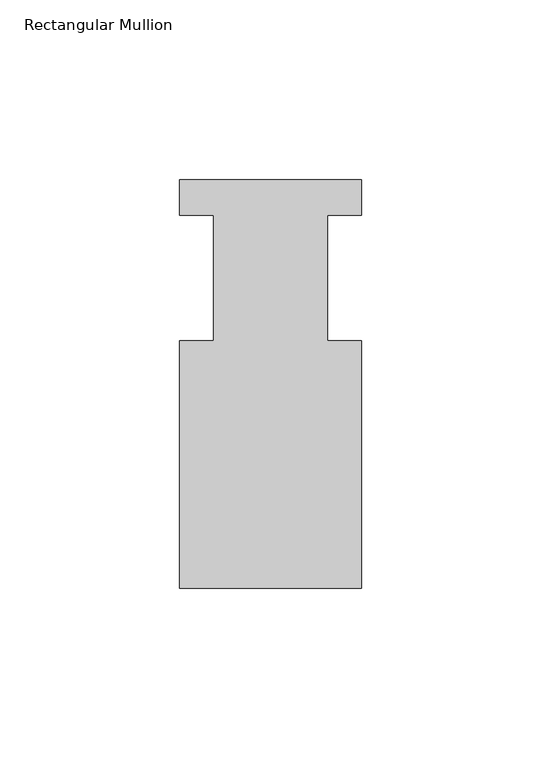
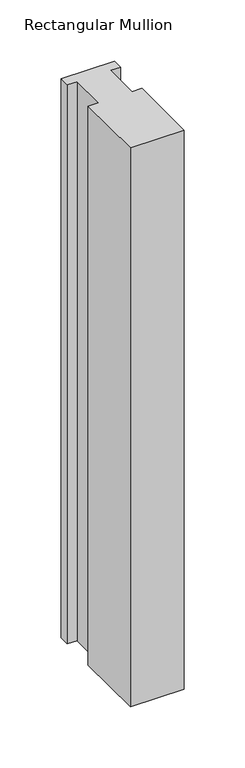
"""IFC4 building model written with IfcOpenShell, lengths in millimetres: member geometry, Rectangular Mullion."""

import ifcopenshell
import ifcopenshell.guid

model = None  # the IFC model being written
_history = None  # IfcOwnerHistory: only IFC2X3 demands one
_inside = {}  # id of a spatial element -> (the spatial element, [elements in it])
_under = {}  # id of a project, library or spatial element -> (it, [spatial elements below it])
_declared = {}  # id of a project -> (the project, [libraries it declares])
_typed = {}  # id of a type object -> (the type object, [elements of that type])
_made_of = {}  # id of a material, layer set ... -> (it, [elements and type objects made of it])


def new_model(schema):
    """Start an empty IFC model of exactly this schema.

    Asked for "IFC4X3", IfcOpenShell would pick the latest addendum, in which some entities
    have other attributes; the version numbers below select the first issue.
    IFC2X3 requires an IfcOwnerHistory on every rooted entity: one is made here for all.
    """
    global model, _history
    if schema == "IFC4X3":
        model = ifcopenshell.file(schema_version=(4, 3, 0, 0))
    else:
        model = ifcopenshell.file(schema=schema)
    _inside.clear()
    _under.clear()
    _declared.clear()
    _typed.clear()
    _made_of.clear()
    _history = None
    if model.schema == "IFC2X3":
        org = make("IfcOrganization", Name="unknown")
        user = make(
            "IfcPersonAndOrganization",
            ThePerson=make("IfcPerson", FamilyName="unknown"),
            TheOrganization=org,
        )
        app = make(
            "IfcApplication",
            ApplicationDeveloper=org,
            Version="unknown",
            ApplicationFullName="unknown",
            ApplicationIdentifier="unknown",
        )
        _history = make(
            "IfcOwnerHistory",
            OwningUser=user,
            OwningApplication=app,
            ChangeAction="ADDED",
            CreationDate=0,
        )
    return model


def make(cls, **values):
    """One entity of the class cls with the attributes given. An attribute that is None is left unset."""
    return model.create_entity(
        cls, **{name: value for name, value in values.items() if value is not None}
    )


def rooted(cls, **values):
    """An entity with a GlobalId (a new one), such as an element, a storey or a relation."""
    return make(cls, GlobalId=ifcopenshell.guid.new(), OwnerHistory=_history, **values)


def si_unit(unit_type, name, prefix=None):
    """IfcSIUnit, for example si_unit("LENGTHUNIT", "METRE", prefix="MILLI")."""
    return make("IfcSIUnit", UnitType=unit_type, Prefix=prefix, Name=name)


def assignment(units):
    """IfcUnitAssignment: the units of a project."""
    return None if units is None else make("IfcUnitAssignment", Units=units)


def point(xyz):
    """IfcCartesianPoint."""
    return None if xyz is None else make("IfcCartesianPoint", Coordinates=xyz)


def direction(xyz):
    """IfcDirection."""
    return None if xyz is None else make("IfcDirection", DirectionRatios=xyz)


def frame(location, z_axis=None, x_axis=None):
    """IfcAxis2Placement3D, a coordinate frame: its origin and axes. An axis left out is left unset."""
    return make(
        "IfcAxis2Placement3D",
        Location=point(location),
        Axis=direction(z_axis),
        RefDirection=direction(x_axis),
    )


def origin():
    """The frame at (0, 0, 0) with its axes left unset."""
    return frame((0.0, 0.0, 0.0))


def place(relative_to, where):
    """IfcLocalPlacement: puts the frame where relative to a parent placement (None: the world)."""
    return make(
        "IfcLocalPlacement", PlacementRelTo=relative_to, RelativePlacement=where
    )


def context(
    kind, dimensions, precision=None, world=None, true_north=None, identifier=None
):
    """IfcGeometricRepresentationContext, for example the 3D "Model" context."""
    return make(
        "IfcGeometricRepresentationContext",
        ContextIdentifier=identifier,
        ContextType=kind,
        CoordinateSpaceDimension=dimensions,
        Precision=precision,
        WorldCoordinateSystem=world,
        TrueNorth=true_north,
    )


def project(units=None, contexts=None):
    """IfcProject with its units and contexts."""
    return rooted(
        "IfcProject",
        Name="project",
        RepresentationContexts=contexts,
        UnitsInContext=assignment(units),
    )


def spatial(cls, under=None, at=None, **own):
    """A site, building, storey or space (cls), placed at a placement, below another one or the project."""
    s = rooted(cls, ObjectPlacement=at, **own)
    if under is not None:
        _under.setdefault(under.id(), (under, []))[1].append(s)
    return s


def polyline(points):
    """IfcPolyline through the points."""
    return make("IfcPolyline", Points=[point(p) for p in points])


def outline(outer, holes=None, kind="AREA"):
    """IfcArbitraryClosedProfileDef: a profile drawn as a closed curve; with holes, ...WithVoids."""
    if holes is None:
        return make("IfcArbitraryClosedProfileDef", ProfileType=kind, OuterCurve=outer)
    return make(
        "IfcArbitraryProfileDefWithVoids",
        ProfileType=kind,
        OuterCurve=outer,
        InnerCurves=holes,
    )


def extrude(swept, where, along, depth):
    """IfcExtrudedAreaSolid: the profile swept, set in the frame where, extruded along a direction by depth."""
    return make(
        "IfcExtrudedAreaSolid",
        SweptArea=swept,
        Position=where,
        ExtrudedDirection=direction(along),
        Depth=depth,
    )


def shape(context_of_items, identifier, shape_type, items):
    """IfcShapeRepresentation: the items that make up one representation, for example the "Body"."""
    return make(
        "IfcShapeRepresentation",
        ContextOfItems=context_of_items,
        RepresentationIdentifier=identifier,
        RepresentationType=shape_type,
        Items=items,
    )


def source(mapping_origin, context_of_items, identifier, shape_type, items):
    """IfcRepresentationMap: a shape defined once, which mapped items show again and again."""
    return make(
        "IfcRepresentationMap",
        MappingOrigin=mapping_origin,
        MappedRepresentation=shape(context_of_items, identifier, shape_type, items),
    )


def transform(
    local_origin,
    x_axis=None,
    y_axis=None,
    z_axis=None,
    scale=None,
    scale2=None,
    scale3=None,
    uniform=True,
):
    """IfcCartesianTransformationOperator3D, or its non-uniform kind. x_axis, y_axis, z_axis: its Axis1, 2, 3."""
    if uniform:
        return make(
            "IfcCartesianTransformationOperator3D",
            Axis1=direction(x_axis),
            Axis2=direction(y_axis),
            LocalOrigin=point(local_origin),
            Scale=scale,
            Axis3=direction(z_axis),
        )
    return make(
        "IfcCartesianTransformationOperator3DnonUniform",
        Axis1=direction(x_axis),
        Axis2=direction(y_axis),
        LocalOrigin=point(local_origin),
        Scale=scale,
        Axis3=direction(z_axis),
        Scale2=scale2,
        Scale3=scale3,
    )


def mapped(mapping_source, mapping_target):
    """IfcMappedItem: shows the shape of a source again, moved by a transform."""
    return make(
        "IfcMappedItem", MappingSource=mapping_source, MappingTarget=mapping_target
    )


def made_of(thing, what):
    """Note that an element or type object is made of a material, layer set ...; save() writes the relation."""
    if what is not None:
        _made_of.setdefault(what.id(), (what, []))[1].append(thing)
    return thing


def element(
    cls,
    number,
    at=None,
    inside=None,
    cuts=None,
    type_object=None,
    material=None,
    context=None,
    identifier="Body",
    shape_type=None,
    held_by="IfcProductDefinitionShape",
    body=None,
    shapes=None,
    **own,
):
    """One element of the class cls, such as IfcWall. Its Tag is "e" and its number.

    at: its placement. inside: the storey or other place that contains it. cuts: it is an
    opening in that element (IfcRelVoidsElement). A single representation is given by context,
    identifier, shape_type and body (its items); several are given by shapes. held_by: the class
    of the entity that holds the representations. save() writes the other relations.
    """
    e = rooted(cls, Tag="e%d" % number, ObjectPlacement=at, **own)
    if body is not None:
        shapes = [shape(context, identifier, shape_type, body)]
    if shapes is not None:
        e.Representation = make(held_by, Representations=shapes)
    if inside is not None:
        _inside.setdefault(inside.id(), (inside, []))[1].append(e)
    if cuts is not None:
        rooted(
            "IfcRelVoidsElement", RelatingBuildingElement=cuts, RelatedOpeningElement=e
        )
    if type_object is not None:
        _typed.setdefault(type_object.id(), (type_object, []))[1].append(e)
    return made_of(e, material)


def aggregate(whole, parts):
    """IfcRelAggregates: a whole, such as a stair, and the parts it consists of."""
    return rooted("IfcRelAggregates", RelatingObject=whole, RelatedObjects=parts)


def save(model, path):
    """Write the relations noted so far, then the file.

    IfcRelAggregates (storeys below a building ...), IfcRelContainedInSpatialStructure (elements
    in a storey), IfcRelDefinesByType, IfcRelAssociatesMaterial and IfcRelDeclares: one each for
    every whole, place, type object, material and project.
    """
    for whole, parts in _under.values():
        aggregate(whole, parts)
    for where, things in _inside.values():
        rooted(
            "IfcRelContainedInSpatialStructure",
            RelatedElements=things,
            RelatingStructure=where,
        )
    for kind, things in _typed.values():
        rooted("IfcRelDefinesByType", RelatedObjects=things, RelatingType=kind)
    for what, things in _made_of.values():
        rooted("IfcRelAssociatesMaterial", RelatedObjects=things, RelatingMaterial=what)
    for by, libraries in _declared.values():
        rooted("IfcRelDeclares", RelatingContext=by, RelatedDefinitions=libraries)
    model.write(path)


def rectangular_mullion_537a5276(model_context):
    return source(origin(), model_context, "Body", "SweptSolid", [
        extrude(outline(polyline([(-50.8, 113.8189875), (0.0, 113.8189875), (0.0, 103.9129875), (-9.525, 103.9129875), (-9.525, 68.9879875), (0.0, 68.9879875), (0.0, 0.0269875), (-50.8, 0.0269875), (-50.8, 68.9879875), (-41.275, 68.9879875), (-41.275, 103.9129875), (-50.8, 103.9129875), (-50.8, 113.8189875)])), frame((0.0, 0.0, -558.8), z_axis=(0.0, 0.0, 1.0), x_axis=(1.0, 0.0, 0.0)), (0.0, 0.0, 1.0), 558.8),
    ])


if __name__ == "__main__":
    model = new_model("IFC4")
    model_context = context("Model", 3, world=origin())
    ifc_project = project(units=[si_unit("LENGTHUNIT", "METRE", prefix="MILLI")], contexts=[model_context])
    site = spatial("IfcSite", under=ifc_project)
    building = spatial("IfcBuilding", under=site)
    placement = place(None, origin())
    rectangular_mullion_shape = rectangular_mullion_537a5276(model_context)
    element("IfcMember", 1, ObjectType="Rectangular Mullion", at=placement, inside=building, context=model_context, shape_type="MappedRepresentation", body=[
        mapped(rectangular_mullion_shape, transform((0.0, 0.0, 0.0), x_axis=(1.0, 0.0, 0.0), y_axis=(0.0, 1.0, 0.0), z_axis=(0.0, 0.0, 1.0))),
    ])
    save(model, "model.ifc")
